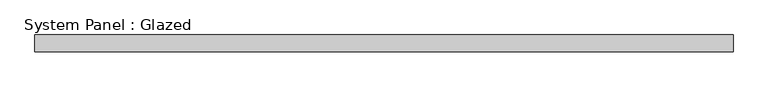
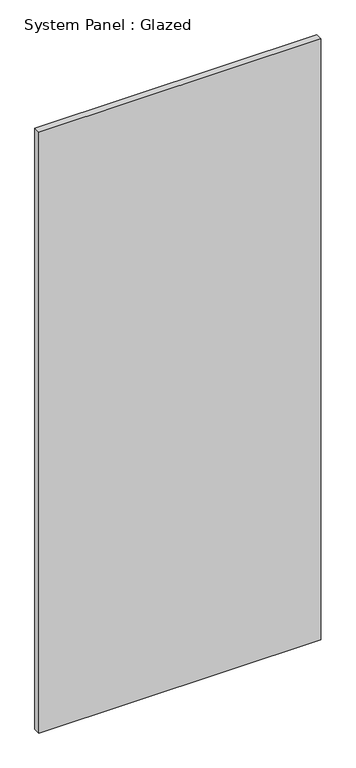
"""IFC4 building model written with IfcOpenShell, lengths in millimetres: plate geometry, System Panel : Glazed."""

from ifc_helpers import new_model, si_unit, origin, origin_with_axes, place, context, project, spatial, polyline, outline, extrude, source, transform, mapped, element, save


def system_panel_glazed_9306723f(model_context):
    return source(origin(), model_context, "Body", "SweptSolid", [
        extrude(outline(polyline([(525.4625, -12.7), (-525.4625, -12.7), (-525.4625, 12.7), (525.4625, 12.7), (525.4625, -12.7)])), origin_with_axes(), (0.0, 0.0, 1.0), 2368.55),
    ])


if __name__ == "__main__":
    model = new_model("IFC4")
    model_context = context("Model", 3, world=origin())
    ifc_project = project(units=[si_unit("LENGTHUNIT", "METRE", prefix="MILLI")], contexts=[model_context])
    site = spatial("IfcSite", under=ifc_project)
    building = spatial("IfcBuilding", under=site)
    placement = place(None, origin())
    system_panel_glazed_shape = system_panel_glazed_9306723f(model_context)
    element("IfcPlate", 1, ObjectType="System Panel : Glazed", at=placement, inside=building, context=model_context, shape_type="MappedRepresentation", body=[
        mapped(system_panel_glazed_shape, transform((0.0, 0.0, 0.0), x_axis=(1.0, 0.0, 0.0), y_axis=(0.0, 1.0, 0.0), z_axis=(0.0, 0.0, 1.0))),
    ])
    save(model, "model.ifc")
